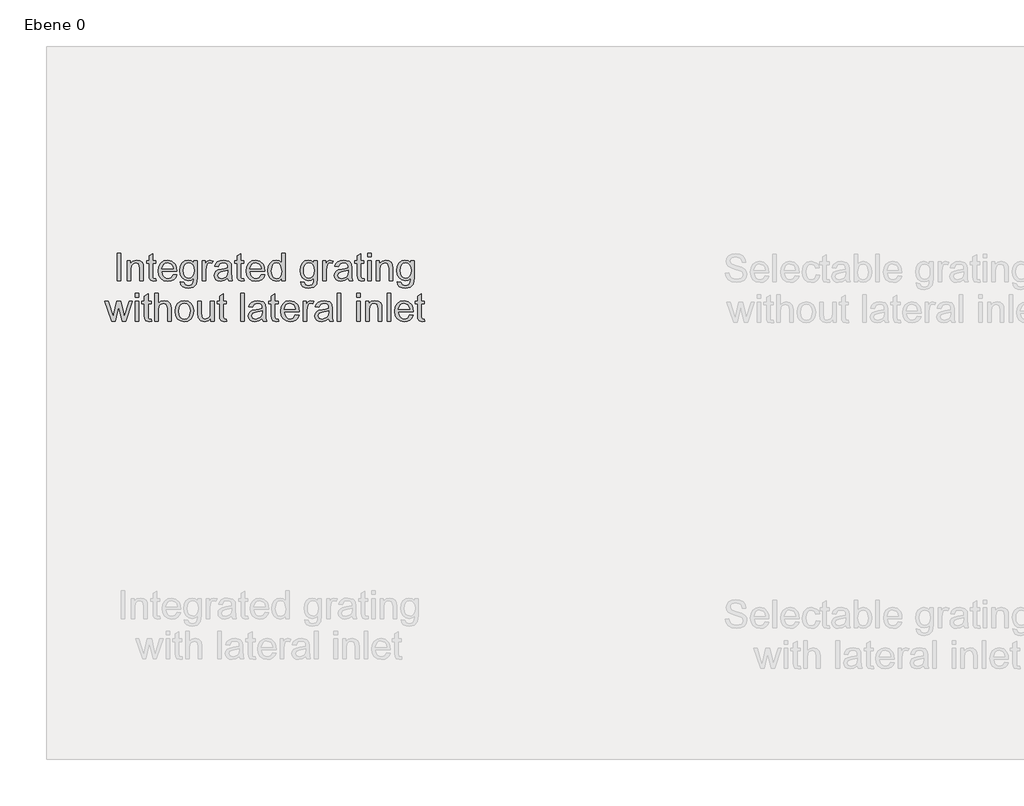
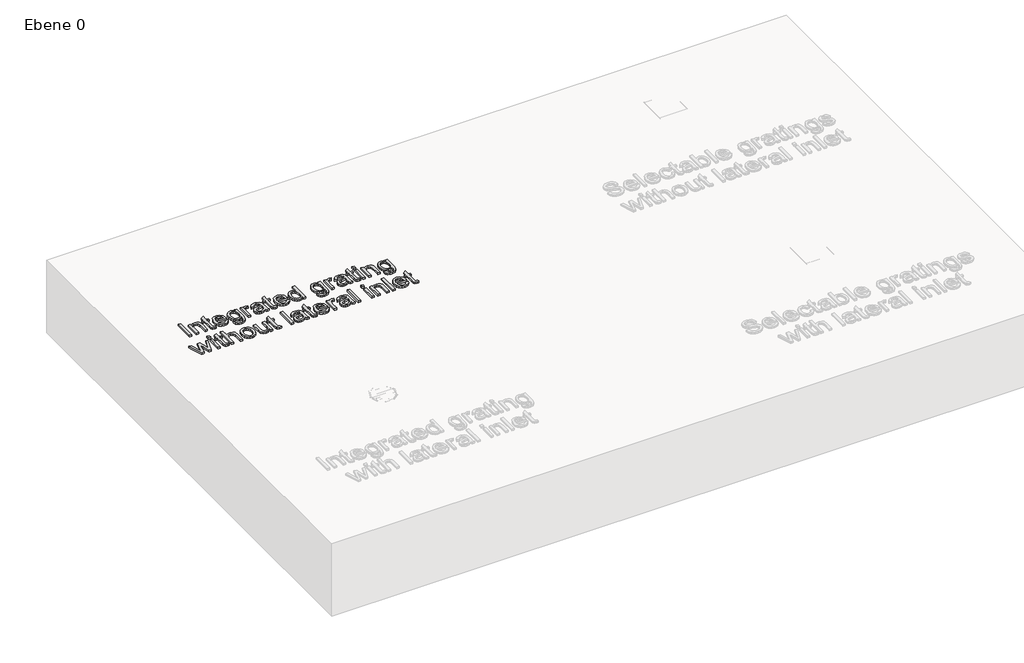
# One storey, part 2 of 4: 1 proxy.
"""IFC4 building model written with IfcOpenShell, lengths in millimetres."""

from ifc_helpers import new_model, si_unit, origin, origin_with_axes, place, context, project, spatial, polyline, outline, extrude, element, save

model = new_model("IFC4")

# Units and contexts
model_context = context("Model", 3, world=origin())
ifc_project = project(units=[si_unit("LENGTHUNIT", "METRE", prefix="MILLI")], contexts=[model_context])

# Site, building, storey
site = spatial("IfcSite", under=ifc_project)
building = spatial("IfcBuilding", under=site)
storey = spatial("IfcBuildingStorey", under=building, Name="Ebene 0", Elevation=0.0)

# Proxy
placement = place(None, origin())
element("IfcBuildingElementProxy", 1, Name="100mm ACO", ObjectType="100mm ACO", at=placement, inside=storey, context=model_context, shape_type="SweptSolid", body=[
    extrude(outline(polyline([(5701.302402, -3087.3597487), (5688.339439, -3087.3597487), (5688.339439, -2987.3597487), (5701.302402, -2987.3597487), (5701.302402, -3087.3597487)])), origin_with_axes(), (0.0, 0.0, 1.0), 10.0),
    extrude(outline(polyline([(5782.7838835, -3087.3597487), (5769.8209205, -3087.3597487), (5769.8209205, -3042.3944709), (5765.9580733, -3026.7984061), (5755.208652, -3022.5449339), (5745.1826103, -3025.2648413), (5738.4696474, -3032.9326654), (5736.4875872, -3046.937295), (5736.4875872, -3087.3597487), (5723.5246242, -3087.3597487), (5723.5246242, -3015.1375265), (5734.6357353, -3015.1375265), (5734.6357353, -3025.1780357), (5744.5315687, -3016.2515311), (5757.7838835, -3013.2856746), (5769.1554113, -3015.3400728), (5777.9517075, -3021.4887996), (5781.9592307, -3030.2272255), (5782.7838835, -3042.7706283), (5782.7838835, -3087.3597487)])), origin_with_axes(), (0.0, 0.0, 1.0), 10.0),
    extrude(outline(polyline([(5829.0801798, -3088.3724802), (5819.9945316, -3089.2116005), (5808.40599, -3086.3325496), (5803.964439, -3079.0264154), (5803.1542538, -3066.7000265), (5803.1542538, -3024.3967857), (5793.8949946, -3024.3967857), (5793.8949946, -3015.1375265), (5803.1542538, -3015.1375265), (5803.1542538, -2996.7926191), (5816.1172168, -2989.2116005), (5816.1172168, -3015.1375265), (5827.2283279, -3015.1375265), (5827.2283279, -3024.3967857), (5816.1172168, -3024.3967857), (5816.1172168, -3069.3041931), (5817.1588835, -3077.5217857), (5822.4540224, -3079.9523413), (5827.4887446, -3079.9523413), (5829.0801798, -3088.3724802)])), origin_with_axes(), (0.0, 0.0, 1.0), 10.0),
    extrude(outline(polyline([(5903.1542538, -3054.0264154), (5849.4505501, -3054.0264154), (5851.5230328, -3065.1519941), (5856.2358511, -3073.2972487), (5863.0175351, -3078.2885681), (5871.296615, -3079.9523413), (5882.9719622, -3076.2631052), (5890.1912909, -3065.1375265), (5903.1542538, -3066.6421561), (5898.7778071, -3076.2631052), (5891.8405964, -3083.3666931), (5882.5958048, -3087.7503737), (5871.296615, -3089.2116005), (5856.7096647, -3086.7050901), (5845.7034437, -3079.1855589), (5838.7915513, -3067.3257498), (5836.4875872, -3051.7984061), (5838.7083626, -3036.2602116), (5845.370689, -3023.9627579), (5856.0694738, -3015.9549454), (5870.3996242, -3013.2856746), (5885.6195316, -3016.7434292), (5898.0471937, -3028.5200496), (5901.8774888, -3039.0560739), (5903.1542538, -3054.0264154)]), holes=[polyline([(5890.1912909, -3044.7671561), (5888.1079575, -3034.6109061), (5883.3625872, -3027.7532672), (5870.0813372, -3022.5449339), (5862.2254344, -3024.0929663), (5855.9030964, -3028.7370635), (5849.4505501, -3044.7671561), (5890.1912909, -3044.7671561)])]), origin_with_axes(), (0.0, 0.0, 1.0), 10.0),
    extrude(outline(polyline([(5977.2283279, -3076.7116005), (5974.1756659, -3099.3533829), (5963.3105038, -3110.9853274), (5944.6473094, -3115.1375265), (5933.4313082, -3113.7305531), (5924.2624714, -3109.5096329), (5918.1535305, -3102.084141), (5916.1172168, -3091.0634524), (5929.0801798, -3093.1178505), (5933.651939, -3102.6809292), (5944.8498557, -3105.8782672), (5958.1600409, -3102.1890311), (5963.3249714, -3093.2046561), (5964.265365, -3078.5923876), (5955.49077, -3085.1679084), (5944.6762446, -3087.3597487), (5932.2847515, -3084.7483482), (5922.5986983, -3076.9141468), (5916.3486983, -3065.1013575), (5914.265365, -3050.5541931), (5916.2474251, -3035.9129894), (5922.1936057, -3023.9338228), (5931.6409437, -3015.9477116), (5944.1264761, -3013.2856746), (5955.2014182, -3015.6655936), (5964.0049483, -3022.8053505), (5964.265365, -3015.1375265), (5977.2283279, -3015.1375265), (5977.2283279, -3076.7116005)]), holes=[polyline([(5946.614902, -3078.1004894), (5953.8269969, -3076.4945866), (5960.1855038, -3071.6768783), (5964.6342886, -3063.0831283), (5966.1172168, -3050.1491005), (5964.7030096, -3038.3616295), (5960.4603881, -3029.677457), (5954.1344332, -3024.3280647), (5946.4702261, -3022.5449339), (5938.7481485, -3024.3714674), (5932.5958048, -3029.8510681), (5928.5701971, -3038.5063054), (5927.2283279, -3049.8597487), (5928.6353013, -3062.5767626), (5932.8562214, -3071.3296561), (5939.1098383, -3076.4077811), (5946.614902, -3078.1004894)])]), origin_with_axes(), (0.0, 0.0, 1.0), 10.0),
    extrude(outline(polyline([(6034.6357353, -3016.1213228), (6030.5848094, -3024.3967857), (6022.077865, -3022.5449339), (6016.2835941, -3024.172538), (6012.0952261, -3029.0553505), (6008.7098094, -3047.2845172), (6008.7098094, -3087.3597487), (5995.7468464, -3087.3597487), (5995.7468464, -3015.1375265), (6006.8579575, -3015.1375265), (6006.8579575, -3025.843545), (6013.7879344, -3016.4251422), (6022.2225409, -3013.2856746), (6034.6357353, -3016.1213228)])), origin_with_axes(), (0.0, 0.0, 1.0), 10.0),
    extrude(outline(polyline([(6105.0061057, -3087.3597487), (6092.0431427, -3087.3597487), (6088.339439, -3078.6213228), (6075.8466728, -3086.5640311), (6062.3845779, -3089.2116005), (6052.3983221, -3087.7648413), (6044.7775177, -3083.4245635), (6039.9489587, -3076.7116005), (6038.339439, -3068.1467857), (6039.9164066, -3059.8387707), (6044.6473094, -3053.1438922), (6053.2772284, -3048.250229), (6066.5512446, -3045.3458598), (6077.8938372, -3043.6097487), (6088.339439, -3041.0634524), (6088.0066844, -3033.0339385), (6086.068027, -3028.1583598), (6080.9030964, -3024.0929663), (6071.3255501, -3022.5449339), (6059.2451103, -3025.6844015), (6053.1542538, -3037.3597487), (6040.1912909, -3035.7683135), (6043.7467018, -3025.9592857), (6050.4198788, -3018.9280357), (6060.2035883, -3014.6962649), (6073.0905964, -3013.2856746), (6092.3469622, -3017.1485218), (6099.8990455, -3026.4656515), (6101.302402, -3040.5136839), (6101.302402, -3057.0356746), (6101.8521705, -3077.2903042), (6105.0061057, -3087.3597487)]), holes=[polyline([(6088.339439, -3054.9523413), (6088.339439, -3050.3227116), (6065.0610825, -3055.6467857), (6054.7420721, -3059.7049454), (6051.302402, -3067.9442394), (6055.0061057, -3076.5669246), (6065.683189, -3079.9523413), (6081.4962677, -3074.281045), (6086.6286462, -3066.6132209), (6088.339439, -3054.9523413)])]), origin_with_axes(), (0.0, 0.0, 1.0), 10.0),
    extrude(outline(polyline([(6147.5986983, -3088.3724802), (6138.5130501, -3089.2116005), (6126.9245085, -3086.3325496), (6122.4829575, -3079.0264154), (6121.6727724, -3066.7000265), (6121.6727724, -3024.3967857), (6112.4135131, -3024.3967857), (6112.4135131, -3015.1375265), (6121.6727724, -3015.1375265), (6121.6727724, -2996.7926191), (6134.6357353, -2989.2116005), (6134.6357353, -3015.1375265), (6145.7468464, -3015.1375265), (6145.7468464, -3024.3967857), (6134.6357353, -3024.3967857), (6134.6357353, -3069.3041931), (6135.677402, -3077.5217857), (6140.9725409, -3079.9523413), (6146.0072631, -3079.9523413), (6147.5986983, -3088.3724802)])), origin_with_axes(), (0.0, 0.0, 1.0), 10.0),
    extrude(outline(polyline([(6221.6727724, -3054.0264154), (6167.9690687, -3054.0264154), (6170.0415513, -3065.1519941), (6174.7543696, -3073.2972487), (6181.5360536, -3078.2885681), (6189.8151335, -3079.9523413), (6201.4904807, -3076.2631052), (6208.7098094, -3065.1375265), (6221.6727724, -3066.6421561), (6217.2963256, -3076.2631052), (6210.359115, -3083.3666931), (6201.1143233, -3087.7503737), (6189.8151335, -3089.2116005), (6175.2281832, -3086.7050901), (6164.2219622, -3079.1855589), (6157.3100698, -3067.3257498), (6155.0061057, -3051.7984061), (6157.2268812, -3036.2602116), (6163.8892075, -3023.9627579), (6174.5879923, -3015.9549454), (6188.9181427, -3013.2856746), (6204.1380501, -3016.7434292), (6216.5657122, -3028.5200496), (6220.3960073, -3039.0560739), (6221.6727724, -3054.0264154)]), holes=[polyline([(6208.7098094, -3044.7671561), (6206.6264761, -3034.6109061), (6201.8811057, -3027.7532672), (6188.5998557, -3022.5449339), (6180.7439529, -3024.0929663), (6174.421615, -3028.7370635), (6167.9690687, -3044.7671561), (6208.7098094, -3044.7671561)])]), origin_with_axes(), (0.0, 0.0, 1.0), 10.0),
    extrude(outline(polyline([(6295.7468464, -3087.3597487), (6282.7838835, -3087.3597487), (6282.7838835, -3079.2000265), (6274.4288488, -3086.708707), (6263.0500872, -3089.2116005), (6251.1830444, -3086.5712649), (6241.4499714, -3078.6502579), (6234.9504055, -3066.5191816), (6232.7838835, -3051.2486376), (6234.859983, -3035.5078968), (6241.0882816, -3023.4708598), (6250.7236983, -3015.8319709), (6263.021152, -3013.2856746), (6274.3058742, -3015.5715542), (6282.5234668, -3022.4291931), (6282.7838835, -2987.3597487), (6295.7468464, -2987.3597487), (6295.7468464, -3087.3597487)]), holes=[polyline([(6264.5547168, -3079.9523413), (6271.6076682, -3078.2451654), (6277.4887446, -3073.1236376), (6281.4600988, -3064.5298876), (6282.7838835, -3052.406045), (6277.93724, -3030.6467857), (6272.0380791, -3024.5703968), (6264.0338835, -3022.5449339), (6256.0875582, -3024.5269941), (6250.3620085, -3030.4731746), (6245.7468464, -3051.2775728), (6248.2352724, -3067.0327811), (6255.1797168, -3076.7116005), (6264.5547168, -3079.9523413)])]), origin_with_axes(), (0.0, 0.0, 1.0), 10.0),
    extrude(outline(polyline([(6412.4135131, -3076.7116005), (6409.3608511, -3099.3533829), (6398.495689, -3110.9853274), (6379.8324946, -3115.1375265), (6368.6164934, -3113.7305531), (6359.4476566, -3109.5096329), (6353.3387156, -3102.084141), (6351.302402, -3091.0634524), (6364.265365, -3093.1178505), (6368.8371242, -3102.6809292), (6380.0350409, -3105.8782672), (6393.3452261, -3102.1890311), (6398.5101566, -3093.2046561), (6399.4505501, -3078.5923876), (6390.6759552, -3085.1679084), (6379.8614298, -3087.3597487), (6367.4699367, -3084.7483482), (6357.7838835, -3076.9141468), (6351.5338835, -3065.1013575), (6349.4505501, -3050.5541931), (6351.4326103, -3035.9129894), (6357.3787909, -3023.9338228), (6366.8261288, -3015.9477116), (6379.3116613, -3013.2856746), (6390.3866034, -3015.6655936), (6399.1901335, -3022.8053505), (6399.4505501, -3015.1375265), (6412.4135131, -3015.1375265), (6412.4135131, -3076.7116005)]), holes=[polyline([(6381.8000872, -3078.1004894), (6389.0121821, -3076.4945866), (6395.370689, -3071.6768783), (6399.8194738, -3063.0831283), (6401.302402, -3050.1491005), (6399.8881948, -3038.3616295), (6395.6455733, -3029.677457), (6389.3196184, -3024.3280647), (6381.6554113, -3022.5449339), (6373.9333337, -3024.3714674), (6367.78099, -3029.8510681), (6363.7553823, -3038.5063054), (6362.4135131, -3049.8597487), (6363.8204865, -3062.5767626), (6368.0414066, -3071.3296561), (6374.2950235, -3076.4077811), (6381.8000872, -3078.1004894)])]), origin_with_axes(), (0.0, 0.0, 1.0), 10.0),
    extrude(outline(polyline([(6469.8209205, -3016.1213228), (6465.7699946, -3024.3967857), (6457.2630501, -3022.5449339), (6451.4687793, -3024.172538), (6447.2804113, -3029.0553505), (6443.8949946, -3047.2845172), (6443.8949946, -3087.3597487), (6430.9320316, -3087.3597487), (6430.9320316, -3015.1375265), (6442.0431427, -3015.1375265), (6442.0431427, -3025.843545), (6448.9731196, -3016.4251422), (6457.4077261, -3013.2856746), (6469.8209205, -3016.1213228)])), origin_with_axes(), (0.0, 0.0, 1.0), 10.0),
    extrude(outline(polyline([(6540.1912909, -3087.3597487), (6527.2283279, -3087.3597487), (6523.5246242, -3078.6213228), (6511.031858, -3086.5640311), (6497.5697631, -3089.2116005), (6487.5835073, -3087.7648413), (6479.9627029, -3083.4245635), (6475.1341439, -3076.7116005), (6473.5246242, -3068.1467857), (6475.1015918, -3059.8387707), (6479.8324946, -3053.1438922), (6488.4624136, -3048.250229), (6501.7364298, -3045.3458598), (6513.0790224, -3043.6097487), (6523.5246242, -3041.0634524), (6523.1918696, -3033.0339385), (6521.2532122, -3028.1583598), (6516.0882816, -3024.0929663), (6506.5107353, -3022.5449339), (6494.4302955, -3025.6844015), (6488.339439, -3037.3597487), (6475.3764761, -3035.7683135), (6478.9318869, -3025.9592857), (6485.605064, -3018.9280357), (6495.3887735, -3014.6962649), (6508.2757816, -3013.2856746), (6527.5321474, -3017.1485218), (6535.0842307, -3026.4656515), (6536.4875872, -3040.5136839), (6536.4875872, -3057.0356746), (6537.0373557, -3077.2903042), (6540.1912909, -3087.3597487)]), holes=[polyline([(6523.5246242, -3054.9523413), (6523.5246242, -3050.3227116), (6500.2462677, -3055.6467857), (6489.9272573, -3059.7049454), (6486.4875872, -3067.9442394), (6490.1912909, -3076.5669246), (6500.8683742, -3079.9523413), (6516.6814529, -3074.281045), (6521.8138314, -3066.6132209), (6523.5246242, -3054.9523413)])]), origin_with_axes(), (0.0, 0.0, 1.0), 10.0),
    extrude(outline(polyline([(6582.7838835, -3088.3724802), (6573.6982353, -3089.2116005), (6562.1096937, -3086.3325496), (6557.6681427, -3079.0264154), (6556.8579575, -3066.7000265), (6556.8579575, -3024.3967857), (6547.5986983, -3024.3967857), (6547.5986983, -3015.1375265), (6556.8579575, -3015.1375265), (6556.8579575, -2996.7926191), (6569.8209205, -2989.2116005), (6569.8209205, -3015.1375265), (6580.9320316, -3015.1375265), (6580.9320316, -3024.3967857), (6569.8209205, -3024.3967857), (6569.8209205, -3069.3041931), (6570.8625872, -3077.5217857), (6576.1577261, -3079.9523413), (6581.1924483, -3079.9523413), (6582.7838835, -3088.3724802)])), origin_with_axes(), (0.0, 0.0, 1.0), 10.0),
    extrude(outline(polyline([(6606.8579575, -3087.3597487), (6593.8949946, -3087.3597487), (6593.8949946, -3015.1375265), (6606.8579575, -3015.1375265), (6606.8579575, -3087.3597487)])), origin_with_axes(), (0.0, 0.0, 1.0), 10.0),
    extrude(outline(polyline([(6606.8579575, -3000.3227116), (6593.8949946, -3000.3227116), (6593.8949946, -2987.3597487), (6606.8579575, -2987.3597487), (6606.8579575, -3000.3227116)])), origin_with_axes(), (0.0, 0.0, 1.0), 10.0),
    extrude(outline(polyline([(6684.6357353, -3087.3597487), (6671.6727724, -3087.3597487), (6671.6727724, -3042.3944709), (6667.8099251, -3026.7984061), (6657.0605038, -3022.5449339), (6647.0344622, -3025.2648413), (6640.3214992, -3032.9326654), (6638.339439, -3046.937295), (6638.339439, -3087.3597487), (6625.3764761, -3087.3597487), (6625.3764761, -3015.1375265), (6636.4875872, -3015.1375265), (6636.4875872, -3025.1780357), (6646.3834205, -3016.2515311), (6659.6357353, -3013.2856746), (6671.0072631, -3015.3400728), (6679.8035594, -3021.4887996), (6683.8110825, -3030.2272255), (6684.6357353, -3042.7706283), (6684.6357353, -3087.3597487)])), origin_with_axes(), (0.0, 0.0, 1.0), 10.0),
    extrude(outline(polyline([(6762.4135131, -3076.7116005), (6759.3608511, -3099.3533829), (6748.495689, -3110.9853274), (6729.8324946, -3115.1375265), (6718.6164934, -3113.7305531), (6709.4476566, -3109.5096329), (6703.3387156, -3102.084141), (6701.302402, -3091.0634524), (6714.265365, -3093.1178505), (6718.8371242, -3102.6809292), (6730.0350409, -3105.8782672), (6743.3452261, -3102.1890311), (6748.5101566, -3093.2046561), (6749.4505501, -3078.5923876), (6740.6759552, -3085.1679084), (6729.8614298, -3087.3597487), (6717.4699367, -3084.7483482), (6707.7838835, -3076.9141468), (6701.5338835, -3065.1013575), (6699.4505501, -3050.5541931), (6701.4326103, -3035.9129894), (6707.3787909, -3023.9338228), (6716.8261288, -3015.9477116), (6729.3116613, -3013.2856746), (6740.3866034, -3015.6655936), (6749.1901335, -3022.8053505), (6749.4505501, -3015.1375265), (6762.4135131, -3015.1375265), (6762.4135131, -3076.7116005)]), holes=[polyline([(6731.8000872, -3078.1004894), (6739.0121821, -3076.4945866), (6745.370689, -3071.6768783), (6749.8194738, -3063.0831283), (6751.302402, -3050.1491005), (6749.8881948, -3038.3616295), (6745.6455733, -3029.677457), (6739.3196184, -3024.3280647), (6731.6554113, -3022.5449339), (6723.9333337, -3024.3714674), (6717.78099, -3029.8510681), (6713.7553823, -3038.5063054), (6712.4135131, -3049.8597487), (6713.8204865, -3062.5767626), (6718.0414066, -3071.3296561), (6724.2950235, -3076.4077811), (6731.8000872, -3078.1004894)])]), origin_with_axes(), (0.0, 0.0, 1.0), 10.0),
    extrude(outline(polyline([(5742.5061057, -3161.4338228), (5718.2873557, -3233.656045), (5706.0188372, -3233.656045), (5695.515365, -3190.2532672), (5694.2132816, -3184.3938922), (5692.9690687, -3177.9847487), (5680.208652, -3233.656045), (5667.9690687, -3233.656045), (5643.4320316, -3161.4338228), (5654.9771705, -3161.4338228), (5672.5986983, -3218.6676191), (5674.7109668, -3208.9164616), (5685.7352724, -3161.4338228), (5700.3186057, -3161.4338228), (5709.0570316, -3199.3099802), (5713.1079575, -3217.1051191), (5730.9609668, -3161.4338228), (5742.5061057, -3161.4338228)])), origin_with_axes(), (0.0, 0.0, 1.0), 10.0),
    extrude(outline(polyline([(5766.1172168, -3233.656045), (5753.1542538, -3233.656045), (5753.1542538, -3161.4338228), (5766.1172168, -3161.4338228), (5766.1172168, -3233.656045)])), origin_with_axes(), (0.0, 0.0, 1.0), 10.0),
    extrude(outline(polyline([(5766.1172168, -3146.6190079), (5753.1542538, -3146.6190079), (5753.1542538, -3133.656045), (5766.1172168, -3133.656045), (5766.1172168, -3146.6190079)])), origin_with_axes(), (0.0, 0.0, 1.0), 10.0),
    extrude(outline(polyline([(5812.4135131, -3234.6687765), (5803.327865, -3235.5078968), (5791.7393233, -3232.6288459), (5787.2977724, -3225.3227116), (5786.4875872, -3212.9963228), (5786.4875872, -3170.693082), (5777.2283279, -3170.693082), (5777.2283279, -3161.4338228), (5786.4875872, -3161.4338228), (5786.4875872, -3143.0889154), (5799.4505501, -3135.5078968), (5799.4505501, -3161.4338228), (5810.5616613, -3161.4338228), (5810.5616613, -3170.693082), (5799.4505501, -3170.693082), (5799.4505501, -3215.6004894), (5800.4922168, -3223.818082), (5805.7873557, -3226.2486376), (5810.8220779, -3226.2486376), (5812.4135131, -3234.6687765)])), origin_with_axes(), (0.0, 0.0, 1.0), 10.0),
    extrude(outline(polyline([(5882.7838835, -3233.656045), (5869.8209205, -3233.656045), (5869.8209205, -3186.9546561), (5866.1316844, -3173.3695866), (5855.1218464, -3168.8412302), (5842.1878187, -3174.1797718), (5837.912645, -3181.6124975), (5836.4875872, -3193.2335913), (5836.4875872, -3233.656045), (5823.5246242, -3233.656045), (5823.5246242, -3133.656045), (5836.4875872, -3133.656045), (5836.4875872, -3169.4778042), (5846.188108, -3162.0559292), (5858.0443001, -3159.5819709), (5871.3255501, -3162.4465542), (5880.2231196, -3171.2573181), (5882.7838835, -3187.7648413), (5882.7838835, -3233.656045)])), origin_with_axes(), (0.0, 0.0, 1.0), 10.0),
    extrude(outline(polyline([(5930.9030964, -3159.5819709), (5944.0794564, -3161.9763575), (5954.7890918, -3169.1595172), (5961.8962967, -3180.7552927), (5964.265365, -3196.3875265), (5961.7009842, -3214.6600959), (5954.0078418, -3226.6537302), (5943.1028939, -3233.2943552), (5930.9030964, -3235.5078968), (5918.312674, -3233.2328679), (5907.5089992, -3226.4077811), (5900.0762735, -3214.6420114), (5897.5986983, -3197.5449339), (5899.9930849, -3180.8276306), (5907.1762446, -3168.9859061), (5917.8967307, -3161.9329547), (5930.9030964, -3159.5819709)]), holes=[polyline([(5930.9030964, -3226.2486376), (5939.7102434, -3224.2412591), (5946.1085363, -3218.2191237), (5951.302402, -3197.0819709), (5949.8339413, -3184.7989848), (5945.4285594, -3175.9592857), (5938.8602724, -3170.6207441), (5930.9030964, -3168.8412302), (5922.7903939, -3170.6460623), (5916.2763603, -3176.0605589), (5911.990336, -3185.0485508), (5910.5616613, -3197.5738691), (5912.0156543, -3210.0557846), (5916.3776335, -3219.0293089), (5922.9169853, -3224.4438054), (5930.9030964, -3226.2486376)])]), origin_with_axes(), (0.0, 0.0, 1.0), 10.0),
    extrude(outline(polyline([(6038.339439, -3233.656045), (6027.2283279, -3233.656045), (6027.2283279, -3223.1525728), (6016.9852724, -3232.4190658), (6004.0223094, -3235.5078968), (5989.901939, -3231.9922718), (5981.2503187, -3222.3134524), (5979.0801798, -3206.312295), (5979.0801798, -3161.4338228), (5992.0431427, -3161.4338228), (5992.0431427, -3202.406045), (5992.9401335, -3216.4974802), (5997.6276335, -3223.499795), (6006.6554113, -3226.2486376), (6019.4013603, -3221.3296561), (6023.8826971, -3213.7775728), (6025.3764761, -3200.9592857), (6025.3764761, -3161.4338228), (6038.339439, -3161.4338228), (6038.339439, -3233.656045)])), origin_with_axes(), (0.0, 0.0, 1.0), 10.0),
    extrude(outline(polyline([(6084.6357353, -3234.6687765), (6075.5500872, -3235.5078968), (6063.9615455, -3232.6288459), (6059.5199946, -3225.3227116), (6058.7098094, -3212.9963228), (6058.7098094, -3170.693082), (6049.4505501, -3170.693082), (6049.4505501, -3161.4338228), (6058.7098094, -3161.4338228), (6058.7098094, -3143.0889154), (6071.6727724, -3135.5078968), (6071.6727724, -3161.4338228), (6082.7838835, -3161.4338228), (6082.7838835, -3170.693082), (6071.6727724, -3170.693082), (6071.6727724, -3215.6004894), (6072.714439, -3223.818082), (6078.0095779, -3226.2486376), (6083.0443001, -3226.2486376), (6084.6357353, -3234.6687765)])), origin_with_axes(), (0.0, 0.0, 1.0), 10.0),
    extrude(outline(polyline([(6147.5986983, -3233.656045), (6134.6357353, -3233.656045), (6134.6357353, -3133.656045), (6147.5986983, -3133.656045), (6147.5986983, -3233.656045)])), origin_with_axes(), (0.0, 0.0, 1.0), 10.0),
    extrude(outline(polyline([(6229.0801798, -3233.656045), (6216.1172168, -3233.656045), (6212.4135131, -3224.9176191), (6199.9207469, -3232.8603274), (6186.458652, -3235.5078968), (6176.4723962, -3234.0611376), (6168.8515918, -3229.7208598), (6164.0230328, -3223.0078968), (6162.4135131, -3214.443082), (6163.9904807, -3206.135067), (6168.7213835, -3199.4401885), (6177.3513025, -3194.5465253), (6190.6253187, -3191.6421561), (6201.9679113, -3189.906045), (6212.4135131, -3187.3597487), (6212.0807585, -3179.3302348), (6210.1421011, -3174.4546561), (6204.9771705, -3170.3892626), (6195.3996242, -3168.8412302), (6183.3191844, -3171.9806978), (6177.2283279, -3183.656045), (6164.265365, -3182.0646098), (6167.8207758, -3172.255582), (6174.4939529, -3165.224332), (6184.2776624, -3160.9925612), (6197.1646705, -3159.5819709), (6216.4210363, -3163.4448181), (6223.9731196, -3172.7619478), (6225.3764761, -3186.8099802), (6225.3764761, -3203.3319709), (6225.9262446, -3223.5866005), (6229.0801798, -3233.656045)]), holes=[polyline([(6212.4135131, -3201.2486376), (6212.4135131, -3196.6190079), (6189.1351566, -3201.943082), (6178.8161462, -3206.0012417), (6175.3764761, -3214.2405357), (6179.0801798, -3222.8632209), (6189.7572631, -3226.2486376), (6205.5703418, -3220.5773413), (6210.7027203, -3212.9095172), (6212.4135131, -3201.2486376)])]), origin_with_axes(), (0.0, 0.0, 1.0), 10.0),
    extrude(outline(polyline([(6271.6727724, -3234.6687765), (6262.5871242, -3235.5078968), (6250.9985825, -3232.6288459), (6246.5570316, -3225.3227116), (6245.7468464, -3212.9963228), (6245.7468464, -3170.693082), (6236.4875872, -3170.693082), (6236.4875872, -3161.4338228), (6245.7468464, -3161.4338228), (6245.7468464, -3143.0889154), (6258.7098094, -3135.5078968), (6258.7098094, -3161.4338228), (6269.8209205, -3161.4338228), (6269.8209205, -3170.693082), (6258.7098094, -3170.693082), (6258.7098094, -3215.6004894), (6259.7514761, -3223.818082), (6265.046615, -3226.2486376), (6270.0813372, -3226.2486376), (6271.6727724, -3234.6687765)])), origin_with_axes(), (0.0, 0.0, 1.0), 10.0),
    extrude(outline(polyline([(6345.7468464, -3200.3227116), (6292.0431427, -3200.3227116), (6294.1156254, -3211.4482904), (6298.8284437, -3219.593545), (6305.6101277, -3224.5848644), (6313.8892075, -3226.2486376), (6325.5645548, -3222.5594015), (6332.7838835, -3211.4338228), (6345.7468464, -3212.9384524), (6341.3703997, -3222.5594015), (6334.433189, -3229.6629894), (6325.1883974, -3234.04667), (6313.8892075, -3235.5078968), (6299.3022573, -3233.0013864), (6288.2960363, -3225.4818552), (6281.3841439, -3213.6220461), (6279.0801798, -3198.0947024), (6281.3009552, -3182.5565079), (6287.9632816, -3170.2590542), (6298.6620663, -3162.2512417), (6312.9922168, -3159.5819709), (6328.2121242, -3163.0397255), (6340.6397863, -3174.8163459), (6344.4700814, -3185.3523702), (6345.7468464, -3200.3227116)]), holes=[polyline([(6332.7838835, -3191.0634524), (6330.7005501, -3180.9072024), (6325.9551798, -3174.0495635), (6312.6739298, -3168.8412302), (6304.818027, -3170.3892626), (6298.495689, -3175.0333598), (6292.0431427, -3191.0634524), (6332.7838835, -3191.0634524)])]), origin_with_axes(), (0.0, 0.0, 1.0), 10.0),
    extrude(outline(polyline([(6399.4505501, -3162.4176191), (6395.3996242, -3170.693082), (6386.8926798, -3168.8412302), (6381.0984089, -3170.4688343), (6376.9100409, -3175.3516468), (6373.5246242, -3193.5808135), (6373.5246242, -3233.656045), (6360.5616613, -3233.656045), (6360.5616613, -3161.4338228), (6371.6727724, -3161.4338228), (6371.6727724, -3172.1398413), (6378.6027492, -3162.7214385), (6387.0373557, -3159.5819709), (6399.4505501, -3162.4176191)])), origin_with_axes(), (0.0, 0.0, 1.0), 10.0),
    extrude(outline(polyline([(6469.8209205, -3233.656045), (6456.8579575, -3233.656045), (6453.1542538, -3224.9176191), (6440.6614876, -3232.8603274), (6427.1993927, -3235.5078968), (6417.2131369, -3234.0611376), (6409.5923325, -3229.7208598), (6404.7637735, -3223.0078968), (6403.1542538, -3214.443082), (6404.7312214, -3206.135067), (6409.4621242, -3199.4401885), (6418.0920432, -3194.5465253), (6431.3660594, -3191.6421561), (6442.708652, -3189.906045), (6453.1542538, -3187.3597487), (6452.8214992, -3179.3302348), (6450.8828418, -3174.4546561), (6445.7179113, -3170.3892626), (6436.140365, -3168.8412302), (6424.0599251, -3171.9806978), (6417.9690687, -3183.656045), (6405.0061057, -3182.0646098), (6408.5615166, -3172.255582), (6415.2346937, -3165.224332), (6425.0184031, -3160.9925612), (6437.9054113, -3159.5819709), (6457.161777, -3163.4448181), (6464.7138603, -3172.7619478), (6466.1172168, -3186.8099802), (6466.1172168, -3203.3319709), (6466.6669853, -3223.5866005), (6469.8209205, -3233.656045)]), holes=[polyline([(6453.1542538, -3201.2486376), (6453.1542538, -3196.6190079), (6429.8758974, -3201.943082), (6419.5568869, -3206.0012417), (6416.1172168, -3214.2405357), (6419.8209205, -3222.8632209), (6430.4980038, -3226.2486376), (6446.3110825, -3220.5773413), (6451.443461, -3212.9095172), (6453.1542538, -3201.2486376)])]), origin_with_axes(), (0.0, 0.0, 1.0), 10.0),
    extrude(outline(polyline([(6497.5986983, -3233.656045), (6484.6357353, -3233.656045), (6484.6357353, -3133.656045), (6497.5986983, -3133.656045), (6497.5986983, -3233.656045)])), origin_with_axes(), (0.0, 0.0, 1.0), 10.0),
    extrude(outline(polyline([(6567.9690687, -3146.6190079), (6555.0061057, -3146.6190079), (6555.0061057, -3133.656045), (6567.9690687, -3133.656045), (6567.9690687, -3146.6190079)])), origin_with_axes(), (0.0, 0.0, 1.0), 10.0),
    extrude(outline(polyline([(6567.9690687, -3233.656045), (6555.0061057, -3233.656045), (6555.0061057, -3161.4338228), (6567.9690687, -3161.4338228), (6567.9690687, -3233.656045)])), origin_with_axes(), (0.0, 0.0, 1.0), 10.0),
    extrude(outline(polyline([(6645.7468464, -3233.656045), (6632.7838835, -3233.656045), (6632.7838835, -3188.6907672), (6628.9210363, -3173.0947024), (6618.171615, -3168.8412302), (6608.1455733, -3171.5611376), (6601.4326103, -3179.2289616), (6599.4505501, -3193.2335913), (6599.4505501, -3233.656045), (6586.4875872, -3233.656045), (6586.4875872, -3161.4338228), (6597.5986983, -3161.4338228), (6597.5986983, -3171.474332), (6607.4945316, -3162.5478274), (6620.7468464, -3159.5819709), (6632.1183742, -3161.6363691), (6640.9146705, -3167.7850959), (6644.9221937, -3176.5235218), (6645.7468464, -3189.0669246), (6645.7468464, -3233.656045)])), origin_with_axes(), (0.0, 0.0, 1.0), 10.0),
    extrude(outline(polyline([(6677.2283279, -3233.656045), (6664.265365, -3233.656045), (6664.265365, -3133.656045), (6677.2283279, -3133.656045), (6677.2283279, -3233.656045)])), origin_with_axes(), (0.0, 0.0, 1.0), 10.0),
    extrude(outline(polyline([(6758.7098094, -3200.3227116), (6705.0061057, -3200.3227116), (6707.0785883, -3211.4482904), (6711.7914066, -3219.593545), (6718.5730906, -3224.5848644), (6726.8521705, -3226.2486376), (6738.5275177, -3222.5594015), (6745.7468464, -3211.4338228), (6758.7098094, -3212.9384524), (6754.3333626, -3222.5594015), (6747.396152, -3229.6629894), (6738.1513603, -3234.04667), (6726.8521705, -3235.5078968), (6712.2652203, -3233.0013864), (6701.2589992, -3225.4818552), (6694.3471069, -3213.6220461), (6692.0431427, -3198.0947024), (6694.2639182, -3182.5565079), (6700.9262446, -3170.2590542), (6711.6250293, -3162.2512417), (6725.9551798, -3159.5819709), (6741.1750872, -3163.0397255), (6753.6027492, -3174.8163459), (6757.4330444, -3185.3523702), (6758.7098094, -3200.3227116)]), holes=[polyline([(6745.7468464, -3191.0634524), (6743.6635131, -3180.9072024), (6738.9181427, -3174.0495635), (6725.6368927, -3168.8412302), (6717.78099, -3170.3892626), (6711.458652, -3175.0333598), (6705.0061057, -3191.0634524), (6745.7468464, -3191.0634524)])]), origin_with_axes(), (0.0, 0.0, 1.0), 10.0),
    extrude(outline(polyline([(6801.302402, -3234.6687765), (6792.2167538, -3235.5078968), (6780.6282122, -3232.6288459), (6776.1866613, -3225.3227116), (6775.3764761, -3212.9963228), (6775.3764761, -3170.693082), (6766.1172168, -3170.693082), (6766.1172168, -3161.4338228), (6775.3764761, -3161.4338228), (6775.3764761, -3143.0889154), (6788.339439, -3135.5078968), (6788.339439, -3161.4338228), (6799.4505501, -3161.4338228), (6799.4505501, -3170.693082), (6788.339439, -3170.693082), (6788.339439, -3215.6004894), (6789.3811057, -3223.818082), (6794.6762446, -3226.2486376), (6799.7109668, -3226.2486376), (6801.302402, -3234.6687765)])), origin_with_axes(), (0.0, 0.0, 1.0), 10.0),
])

save(model, "model.ifc")
